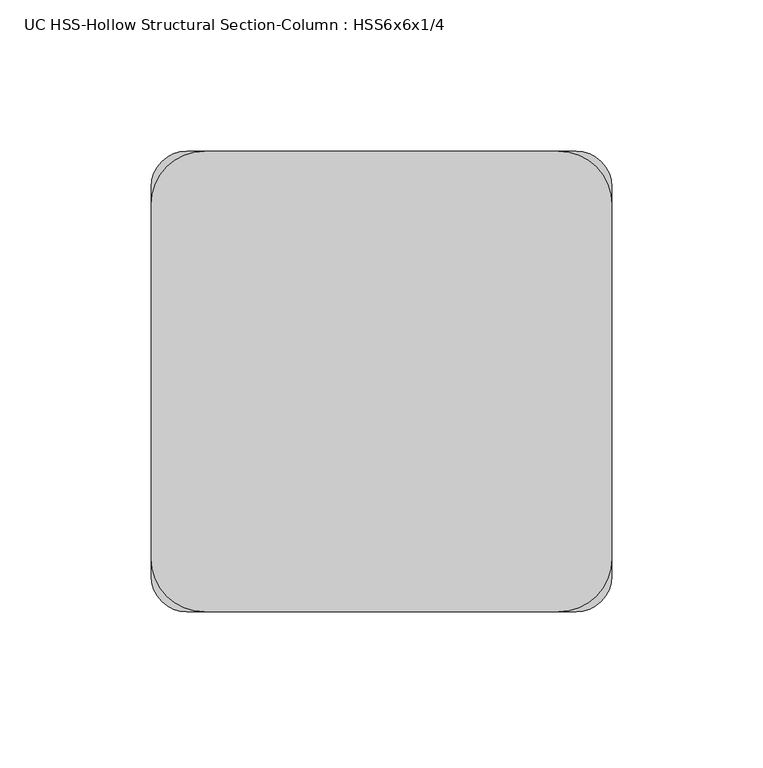
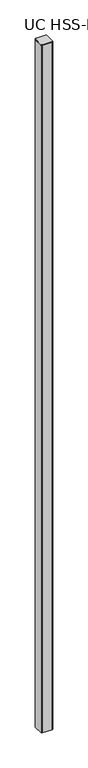
"""IFC4 building model written with IfcOpenShell, lengths in millimetres: column geometry, UC HSS-Hollow Structural Section-Column : HSS6x6x1/4."""

from ifc_helpers import new_model, si_unit, point, frame, frame_2d, origin, place, context, project, spatial, polyline, circle_curve, trimmed, segment, composite_curve, outline, extrude, source, transform, mapped, element, save


def uc_hss_hollow_structural_section_column_hss6x6x1_4_f4a4314a(model_context):
    return source(origin(), model_context, "Body", "SweptSolid", [
        extrude(outline(composite_curve([segment(trimmed(circle_curve(frame_2d((-58.5390625, 58.5390625)), 17.6609375), [point((-76.2, 58.5390625))], [point((-58.5390625, 76.2))], False, "CARTESIAN"), True, "CONTINUOUS"), segment(polyline([(-58.5390625, 76.2), (58.5390625, 76.2)]), True, "CONTINUOUS"), segment(trimmed(circle_curve(frame_2d((58.5390625, 58.5390625)), 17.6609375), [point((58.5390625, 76.2))], [point((76.2, 58.5390625))], False, "CARTESIAN"), True, "CONTINUOUS"), segment(polyline([(76.2, 58.5390625), (76.2, -58.5390625)]), True, "CONTINUOUS"), segment(trimmed(circle_curve(frame_2d((58.5390625, -58.5390625)), 17.6609375), [point((76.2, -58.5390625))], [point((58.5390625, -76.2))], False, "CARTESIAN"), True, "CONTINUOUS"), segment(polyline([(58.5390625, -76.2), (-58.5390625, -76.2)]), True, "CONTINUOUS"), segment(trimmed(circle_curve(frame_2d((-58.5390625, -58.5390625)), 17.6609375), [point((-58.5390625, -76.2))], [point((-76.2, -58.5390625))], False, "CARTESIAN"), True, "CONTINUOUS"), segment(polyline([(-76.2, -58.5390625), (-76.2, 58.5390625)]), True, "CONTINUOUS")], self_intersect=False)), frame((0.0, 0.0, 9036.05), z_axis=(0.0, 0.0, 1.0), x_axis=(1.0, 0.0, 0.0)), (0.0, 0.0, 1.0), 6.35),
        extrude(outline(composite_curve([segment(trimmed(circle_curve(frame_2d((64.3636, 64.3636)), 11.8364), [point((64.3636, 76.2))], [point((76.2, 64.3636))], False, "CARTESIAN"), True, "CONTINUOUS"), segment(polyline([(76.2, 64.3636), (76.2, -64.3636)]), True, "CONTINUOUS"), segment(trimmed(circle_curve(frame_2d((64.3636, -64.3636)), 11.8364), [point((76.2, -64.3636))], [point((64.3636, -76.2))], False, "CARTESIAN"), True, "CONTINUOUS"), segment(polyline([(64.3636, -76.2), (-64.3636, -76.2)]), True, "CONTINUOUS"), segment(trimmed(circle_curve(frame_2d((-64.3636, -64.3636)), 11.8364), [point((-64.3636, -76.2))], [point((-76.2, -64.3636))], False, "CARTESIAN"), True, "CONTINUOUS"), segment(polyline([(-76.2, -64.3636), (-76.2, 64.3636)]), True, "CONTINUOUS"), segment(trimmed(circle_curve(frame_2d((-64.3636, 64.3636)), 11.8364), [point((-76.2, 64.3636))], [point((-64.3636, 76.2))], False, "CARTESIAN"), True, "CONTINUOUS"), segment(polyline([(-64.3636, 76.2), (64.3636, 76.2)]), True, "CONTINUOUS")], self_intersect=False), holes=[composite_curve([segment(polyline([(64.3636, 70.2818), (-64.3636, 70.2818)]), True, "CONTINUOUS"), segment(trimmed(circle_curve(frame_2d((-64.3636, 64.3636)), 5.9182), [point((-64.3636, 70.2818))], [point((-70.2818, 64.3636))], True, "CARTESIAN"), True, "CONTINUOUS"), segment(polyline([(-70.2818, 64.3636), (-70.2818, -64.3636)]), True, "CONTINUOUS"), segment(trimmed(circle_curve(frame_2d((-64.3636, -64.3636)), 5.9182), [point((-70.2818, -64.3636))], [point((-64.3636, -70.2818))], True, "CARTESIAN"), True, "CONTINUOUS"), segment(polyline([(-64.3636, -70.2818), (64.3636, -70.2818)]), True, "CONTINUOUS"), segment(trimmed(circle_curve(frame_2d((64.3636, -64.3636)), 5.9182), [point((64.3636, -70.2818))], [point((70.2818, -64.3636))], True, "CARTESIAN"), True, "CONTINUOUS"), segment(polyline([(70.2818, -64.3636), (70.2818, 64.3636)]), True, "CONTINUOUS"), segment(trimmed(circle_curve(frame_2d((64.3636, 64.3636)), 5.9182), [point((70.2818, 64.3636))], [point((64.3636, 70.2818))], True, "CARTESIAN"), True, "CONTINUOUS")], self_intersect=False)]), frame((0.0, 0.0, -609.6), z_axis=(0.0, 0.0, 1.0), x_axis=(1.0, 0.0, 0.0)), (0.0, 0.0, 1.0), 9645.65),
    ])


if __name__ == "__main__":
    model = new_model("IFC4")
    model_context = context("Model", 3, world=origin())
    ifc_project = project(units=[si_unit("LENGTHUNIT", "METRE", prefix="MILLI")], contexts=[model_context])
    site = spatial("IfcSite", under=ifc_project)
    building = spatial("IfcBuilding", under=site)
    placement = place(None, origin())
    uc_hss_hollow_structural_section_column_hss6x6x1_4_shape = uc_hss_hollow_structural_section_column_hss6x6x1_4_f4a4314a(model_context)
    element("IfcColumn", 1, ObjectType="UC HSS-Hollow Structural Section-Column : HSS6x6x1/4", at=placement, inside=building, context=model_context, shape_type="MappedRepresentation", body=[
        mapped(uc_hss_hollow_structural_section_column_hss6x6x1_4_shape, transform((0.0, 0.0, 0.0), x_axis=(1.0, 0.0, 0.0), y_axis=(0.0, 1.0, 0.0), z_axis=(0.0, 0.0, 1.0))),
    ])
    save(model, "model.ifc")
